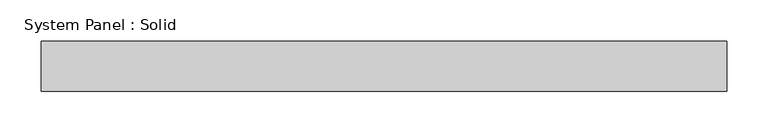
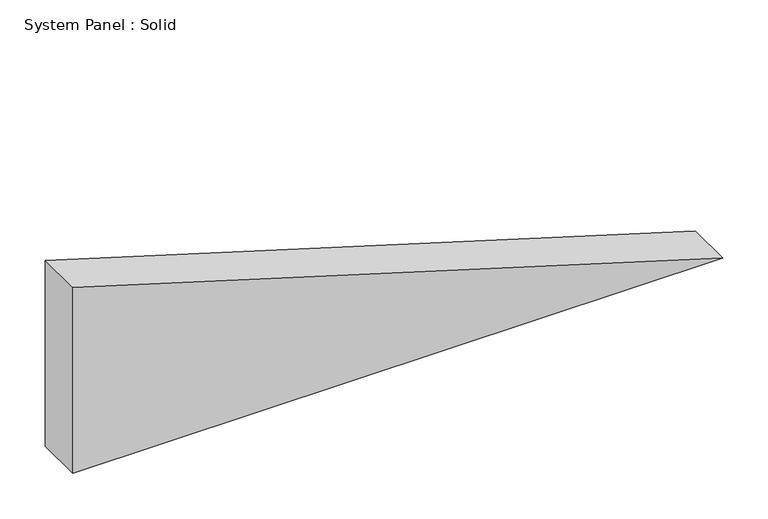
"""IFC4 building model written with IfcOpenShell, lengths in millimetres: plate geometry, System Panel : Solid."""

from ifc_helpers import new_model, si_unit, frame, origin, place, context, project, spatial, polyline, outline, extrude, source, transform, mapped, element, save


def system_panel_solid_5f813e57(model_context):
    return source(origin(), model_context, "Body", "SweptSolid", [
        extrude(outline(polyline([(0.0, -413.1327309), (0.0, 413.1327309), (249.8616348, -413.1327309), (0.0, -413.1327309)])), frame((0.0, -10.5, 0.0), z_axis=(0.0, 1.0, 0.0), x_axis=(0.0, 0.0, 1.0)), (0.0, 0.0, 1.0), 60.0),
    ])


if __name__ == "__main__":
    model = new_model("IFC4")
    model_context = context("Model", 3, world=origin())
    ifc_project = project(units=[si_unit("LENGTHUNIT", "METRE", prefix="MILLI")], contexts=[model_context])
    site = spatial("IfcSite", under=ifc_project)
    building = spatial("IfcBuilding", under=site)
    placement = place(None, origin())
    system_panel_solid_shape = system_panel_solid_5f813e57(model_context)
    element("IfcPlate", 1, ObjectType="System Panel : Solid", at=placement, inside=building, context=model_context, shape_type="MappedRepresentation", body=[
        mapped(system_panel_solid_shape, transform((0.0, 0.0, 0.0), x_axis=(1.0, 0.0, 0.0), y_axis=(0.0, 1.0, 0.0), z_axis=(0.0, 0.0, 1.0))),
    ])
    save(model, "model.ifc")
